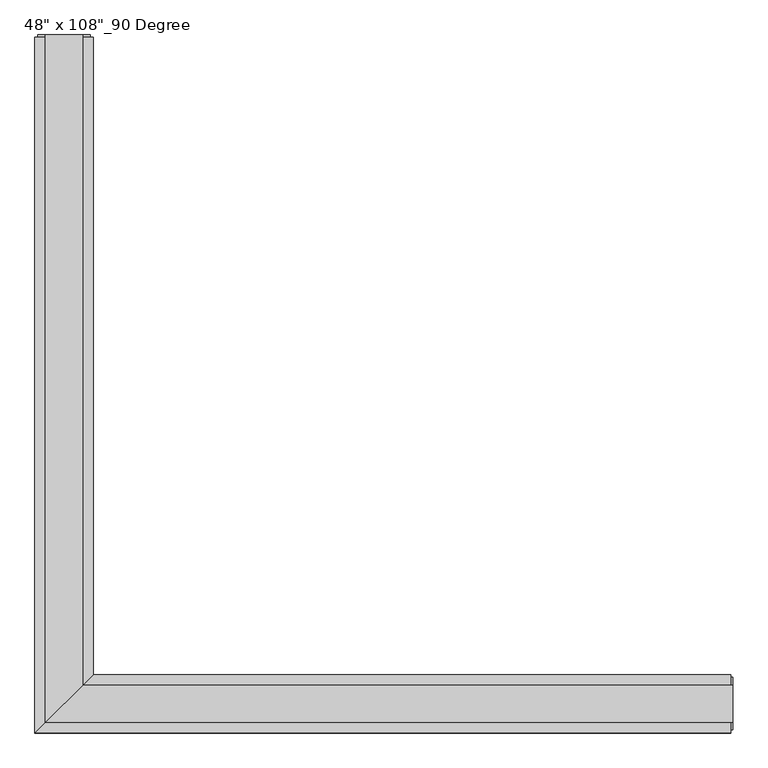
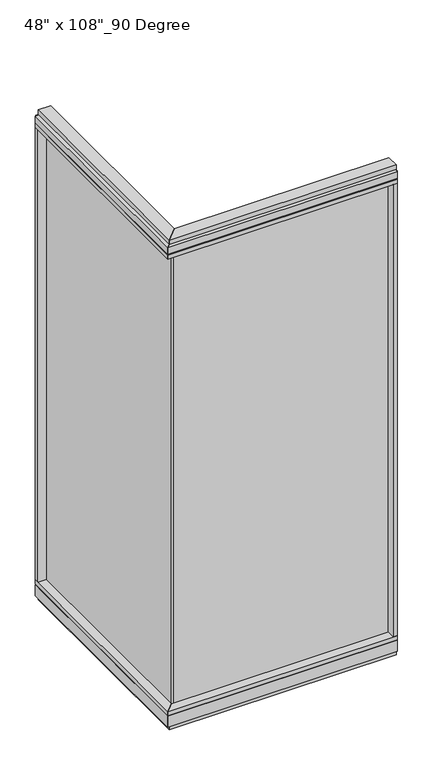
"""IFC4 building model written with IfcOpenShell, lengths in millimetres: furniture geometry."""

from ifc_helpers import new_model, si_unit, frame, origin, origin_with_axes, place, context, project, spatial, polyline, outline, extrude, faceted_brep, source, transform, mapped, element, save


def furniture_52668fd8(model_context):
    return source(origin(), model_context, "Body", "SolidModel", [
        extrude(outline(polyline([(-623.9165229, 1137.7202784), (-613.7565229, 1137.7202784), (-613.7565229, -9.5977216), (-623.9165229, -9.5977216), (-623.9165229, 1137.7202784)])), frame((0.0, 0.0, 120.523), z_axis=(0.0, 0.0, 1.0), x_axis=(1.0, 0.0, 0.0)), (0.0, 0.0, 1.0), 2533.777),
        extrude(outline(polyline([(-568.0365229, 1159.9452784), (-568.0365229, 46.2822784), (-669.6365229, -55.3177216), (-669.6365229, 1159.9452784), (-568.0365229, 1159.9452784)])), frame((0.0, 0.0, 2654.3), z_axis=(0.0, 0.0, 1.0), x_axis=(1.0, 0.0, 0.0)), (0.0, 0.0, 1.0), 22.225),
        faceted_brep([(-568.0365229, 46.2822784, 2681.478), (-568.0365229, 46.2822784, 2717.8), (-669.6365229, -55.3177216, 2717.8), (-669.6365229, -55.3177216, 2681.478), (-664.6835229, -50.3647216, 2681.478), (-664.6835229, -50.3647216, 2676.525), (-572.9895229, 41.3292784, 2676.525), (-572.9895229, 41.3292784, 2681.478), (-568.0365229, 1159.9452784, 2681.478), (-572.9895229, 1159.9452784, 2681.478), (-572.9895229, 1159.9452784, 2676.525), (-664.6835229, 1159.9452784, 2676.525), (-664.6835229, 1159.9452784, 2681.478), (-669.6365229, 1159.9452784, 2681.478), (-669.6365229, 1159.9452784, 2717.8), (-568.0365229, 1159.9452784, 2717.8)], [[[0, 1, 2, 3, 4, 5, 6, 7]], [[8, 9, 10, 11, 12, 13, 14, 15]], [[8, 0, 7, 9]], [[13, 3, 2, 14]], [[14, 2, 1, 15]], [[15, 1, 0, 8]], [[9, 7, 6, 10]], [[10, 6, 5, 11]], [[11, 5, 4, 12]], [[12, 4, 3, 13]]]),
        extrude(outline(polyline([(-586.3245229, 1163.8822784), (-586.3245229, 27.9942784), (-651.3485229, -37.0297216), (-651.3485229, 1163.8822784), (-586.3245229, 1163.8822784)])), frame((0.0, 0.0, 2717.8), z_axis=(0.0, 0.0, 1.0), x_axis=(1.0, 0.0, 0.0)), (0.0, 0.0, 1.0), 25.4),
        faceted_brep([(-572.9895229, 41.3292784, 93.345), (-572.9895229, 41.3292784, 98.298), (-664.6835229, -50.3647216, 98.298), (-664.6835229, -50.3647216, 93.345), (-669.6365229, -55.3177216, 93.345), (-669.6365229, -55.3177216, 31.75), (-568.0365229, 46.2822784, 31.75), (-568.0365229, 46.2822784, 93.345), (-568.0365229, 1159.9452784, 93.345), (-568.0365229, 1159.9452784, 31.75), (-669.6365229, 1159.9452784, 31.75), (-669.6365229, 1159.9452784, 93.345), (-664.6835229, 1159.9452784, 93.345), (-664.6835229, 1159.9452784, 98.298), (-572.9895229, 1159.9452784, 98.298), (-572.9895229, 1159.9452784, 93.345)], [[[0, 1, 2, 3, 4, 5, 6, 7]], [[8, 9, 10, 11, 12, 13, 14, 15]], [[15, 0, 7, 8]], [[10, 5, 4, 11]], [[9, 6, 5, 10]], [[8, 7, 6, 9]], [[14, 1, 0, 15]], [[13, 2, 1, 14]], [[12, 3, 2, 13]], [[11, 4, 3, 12]]]),
        extrude(outline(polyline([(-568.0365229, 1159.9452784), (-568.0365229, 46.2822784), (-669.6365229, -55.3177216), (-669.6365229, 1159.9452784), (-568.0365229, 1159.9452784)])), frame((0.0, 0.0, 98.298), z_axis=(0.0, 0.0, 1.0), x_axis=(1.0, 0.0, 0.0)), (0.0, 0.0, 1.0), 22.225),
        extrude(outline(polyline([(-586.3245229, 1163.8822784), (-586.3245229, 27.9942784), (-651.3485229, -37.0297216), (-651.3485229, 1163.8822784), (-586.3245229, 1163.8822784)])), origin_with_axes(), (0.0, 0.0, 1.0), 31.75),
        extrude(outline(polyline([(-669.6365229, 1137.7202784), (-669.6365229, 1159.9452784), (-568.0365229, 1159.9452784), (-568.0365229, 1137.7202784), (-669.6365229, 1137.7202784)])), frame((0.0, 0.0, 120.523), z_axis=(0.0, 0.0, 1.0), x_axis=(1.0, 0.0, 0.0)), (0.0, 0.0, 1.0), 2533.777),
        extrude(outline(polyline([(-664.6835229, 1163.8822784), (-572.9895229, 1163.8822784), (-572.9895229, 1159.9452784), (-664.6835229, 1159.9452784), (-664.6835229, 1163.8822784)])), frame((0.0, 0.0, 31.75), z_axis=(0.0, 0.0, 1.0), x_axis=(1.0, 0.0, 0.0)), (0.0, 0.0, 1.0), 2686.05),
        extrude(outline(polyline([(523.4014771, -9.5977216), (-623.9165229, -9.5977216), (-623.9165229, 0.5622784), (523.4014771, 0.5622784), (523.4014771, -9.5977216)])), frame((0.0, 0.0, 120.523), z_axis=(0.0, 0.0, 1.0), x_axis=(1.0, 0.0, 0.0)), (0.0, 0.0, 1.0), 2533.777),
        extrude(outline(polyline([(545.6264771, 46.2822784), (545.6264771, -55.3177216), (-669.6365229, -55.3177216), (-568.0365229, 46.2822784), (545.6264771, 46.2822784)])), frame((0.0, 0.0, 2654.3), z_axis=(0.0, 0.0, 1.0), x_axis=(1.0, 0.0, 0.0)), (0.0, 0.0, 1.0), 22.225),
        faceted_brep([(-568.0365229, 46.2822784, 2681.478), (-572.9895229, 41.3292784, 2681.478), (-572.9895229, 41.3292784, 2676.525), (-664.6835229, -50.3647216, 2676.525), (-664.6835229, -50.3647216, 2681.478), (-669.6365229, -55.3177216, 2681.478), (-669.6365229, -55.3177216, 2717.8), (-568.0365229, 46.2822784, 2717.8), (545.6264771, 46.2822784, 2681.478), (545.6264771, 46.2822784, 2717.8), (545.6264771, -55.3177216, 2717.8), (545.6264771, -55.3177216, 2681.478), (545.6264771, -50.3647216, 2681.478), (545.6264771, -50.3647216, 2676.525), (545.6264771, 41.3292784, 2676.525), (545.6264771, 41.3292784, 2681.478)], [[[0, 1, 2, 3, 4, 5, 6, 7]], [[8, 9, 10, 11, 12, 13, 14, 15]], [[8, 15, 1, 0]], [[11, 10, 6, 5]], [[10, 9, 7, 6]], [[9, 8, 0, 7]], [[15, 14, 2, 1]], [[14, 13, 3, 2]], [[13, 12, 4, 3]], [[12, 11, 5, 4]]]),
        extrude(outline(polyline([(549.5634771, 27.9942784), (549.5634771, -37.0297216), (-651.3485229, -37.0297216), (-586.3245229, 27.9942784), (549.5634771, 27.9942784)])), frame((0.0, 0.0, 2717.8), z_axis=(0.0, 0.0, 1.0), x_axis=(1.0, 0.0, 0.0)), (0.0, 0.0, 1.0), 25.4),
        faceted_brep([(-572.9895229, 41.3292784, 93.345), (-568.0365229, 46.2822784, 93.345), (-568.0365229, 46.2822784, 31.75), (-669.6365229, -55.3177216, 31.75), (-669.6365229, -55.3177216, 93.345), (-664.6835229, -50.3647216, 93.345), (-664.6835229, -50.3647216, 98.298), (-572.9895229, 41.3292784, 98.298), (545.6264771, 46.2822784, 93.345), (545.6264771, 41.3292784, 93.345), (545.6264771, 41.3292784, 98.298), (545.6264771, -50.3647216, 98.298), (545.6264771, -50.3647216, 93.345), (545.6264771, -55.3177216, 93.345), (545.6264771, -55.3177216, 31.75), (545.6264771, 46.2822784, 31.75)], [[[0, 1, 2, 3, 4, 5, 6, 7]], [[8, 9, 10, 11, 12, 13, 14, 15]], [[9, 8, 1, 0]], [[14, 13, 4, 3]], [[15, 14, 3, 2]], [[8, 15, 2, 1]], [[10, 9, 0, 7]], [[11, 10, 7, 6]], [[12, 11, 6, 5]], [[13, 12, 5, 4]]]),
        extrude(outline(polyline([(545.6264771, 46.2822784), (545.6264771, -55.3177216), (-669.6365229, -55.3177216), (-568.0365229, 46.2822784), (545.6264771, 46.2822784)])), frame((0.0, 0.0, 98.298), z_axis=(0.0, 0.0, 1.0), x_axis=(1.0, 0.0, 0.0)), (0.0, 0.0, 1.0), 22.225),
        extrude(outline(polyline([(549.5634771, 27.9942784), (549.5634771, -37.0297216), (-651.3485229, -37.0297216), (-586.3245229, 27.9942784), (549.5634771, 27.9942784)])), origin_with_axes(), (0.0, 0.0, 1.0), 31.75),
        extrude(outline(polyline([(523.4014771, -55.3177216), (523.4014771, 46.2822784), (545.6264771, 46.2822784), (545.6264771, -55.3177216), (523.4014771, -55.3177216)])), frame((0.0, 0.0, 120.523), z_axis=(0.0, 0.0, 1.0), x_axis=(1.0, 0.0, 0.0)), (0.0, 0.0, 1.0), 2533.777),
        extrude(outline(polyline([(549.5634771, -50.3647216), (545.6264771, -50.3647216), (545.6264771, 41.3292784), (549.5634771, 41.3292784), (549.5634771, -50.3647216)])), frame((0.0, 0.0, 31.75), z_axis=(0.0, 0.0, 1.0), x_axis=(1.0, 0.0, 0.0)), (0.0, 0.0, 1.0), 2686.05),
    ])


if __name__ == "__main__":
    model = new_model("IFC4")
    model_context = context("Model", 3, world=origin())
    ifc_project = project(units=[si_unit("LENGTHUNIT", "METRE", prefix="MILLI")], contexts=[model_context])
    site = spatial("IfcSite", under=ifc_project)
    building = spatial("IfcBuilding", under=site)
    placement = place(None, origin())
    furniture_shape = furniture_52668fd8(model_context)
    element("IfcFurniture", 1, ObjectType="48\" x 108\"_90 Degree", at=placement, inside=building, context=model_context, shape_type="MappedRepresentation", body=[
        mapped(furniture_shape, transform((0.0, 0.0, 0.0), x_axis=(1.0, 0.0, 0.0), y_axis=(0.0, 1.0, 0.0), z_axis=(0.0, 0.0, 1.0))),
    ])
    save(model, "model.ifc")
